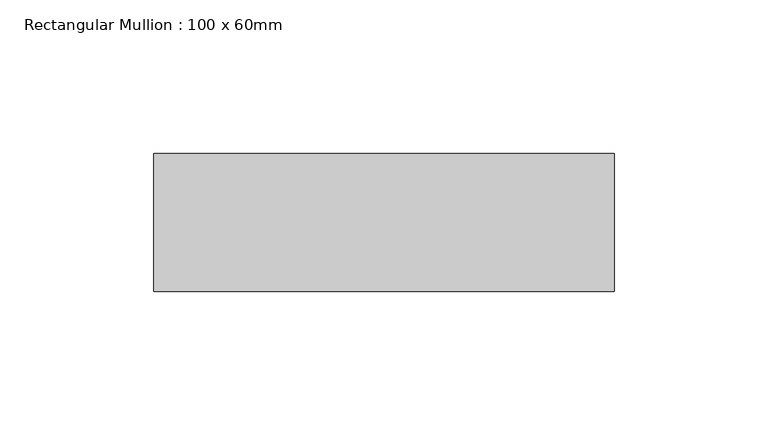
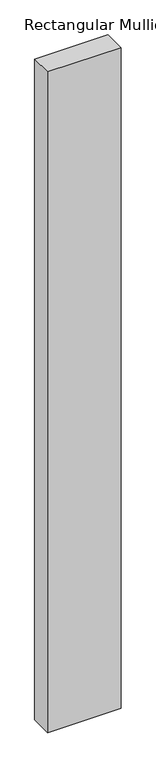
"""IFC4 building model written with IfcOpenShell, lengths in millimetres: member geometry, Rectangular Mullion : 100 x 60mm."""

from ifc_helpers import new_model, si_unit, frame, origin, place, context, project, spatial, polyline, outline, extrude, source, transform, mapped, element, save


def rectangular_mullion_100_x_60mm_d8bb47db(model_context):
    return source(origin(), model_context, "Body", "SweptSolid", [
        extrude(outline(polyline([(-75.0, 30.0), (75.0, 30.0), (75.0, -15.0), (-75.0, -15.0), (-75.0, 30.0)])), frame((0.0, 0.0, -1425.0), z_axis=(0.0, 0.0, 1.0), x_axis=(1.0, 0.0, 0.0)), (0.0, 0.0, 1.0), 1425.0),
    ])


if __name__ == "__main__":
    model = new_model("IFC4")
    model_context = context("Model", 3, world=origin())
    ifc_project = project(units=[si_unit("LENGTHUNIT", "METRE", prefix="MILLI")], contexts=[model_context])
    site = spatial("IfcSite", under=ifc_project)
    building = spatial("IfcBuilding", under=site)
    placement = place(None, origin())
    rectangular_mullion_100_x_60mm_shape = rectangular_mullion_100_x_60mm_d8bb47db(model_context)
    element("IfcMember", 1, ObjectType="Rectangular Mullion : 100 x 60mm", at=placement, inside=building, context=model_context, shape_type="MappedRepresentation", body=[
        mapped(rectangular_mullion_100_x_60mm_shape, transform((0.0, 0.0, 0.0), x_axis=(1.0, 0.0, 0.0), y_axis=(0.0, 1.0, 0.0), z_axis=(0.0, 0.0, 1.0))),
    ])
    save(model, "model.ifc")
